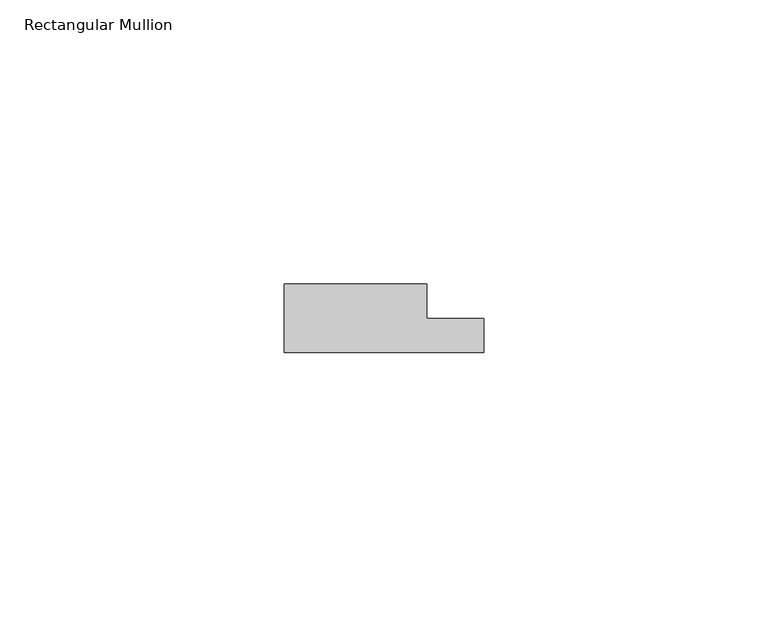
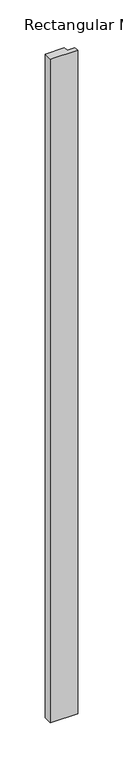
"""IFC4 building model written with IfcOpenShell, lengths in millimetres: member geometry, Rectangular Mullion."""

from ifc_helpers import new_model, si_unit, frame, origin, place, context, project, spatial, polyline, outline, extrude, source, transform, mapped, element, save


def rectangular_mullion_e4713303(model_context):
    return source(origin(), model_context, "Body", "SweptSolid", [
        extrude(outline(polyline([(17.5, 0.0), (-17.5, 0.0), (-17.5, 12.0), (7.5, 12.0), (7.5, 6.0), (17.5, 6.0), (17.5, 0.0)])), frame((0.0, 0.0, -900.0), z_axis=(0.0, 0.0, 1.0), x_axis=(1.0, 0.0, 0.0)), (0.0, 0.0, 1.0), 900.0),
    ])


if __name__ == "__main__":
    model = new_model("IFC4")
    model_context = context("Model", 3, world=origin())
    ifc_project = project(units=[si_unit("LENGTHUNIT", "METRE", prefix="MILLI")], contexts=[model_context])
    site = spatial("IfcSite", under=ifc_project)
    building = spatial("IfcBuilding", under=site)
    placement = place(None, origin())
    rectangular_mullion_shape = rectangular_mullion_e4713303(model_context)
    element("IfcMember", 1, ObjectType="Rectangular Mullion", at=placement, inside=building, context=model_context, shape_type="MappedRepresentation", body=[
        mapped(rectangular_mullion_shape, transform((0.0, 0.0, 0.0), x_axis=(1.0, 0.0, 0.0), y_axis=(0.0, 1.0, 0.0), z_axis=(0.0, 0.0, 1.0))),
    ])
    save(model, "model.ifc")
